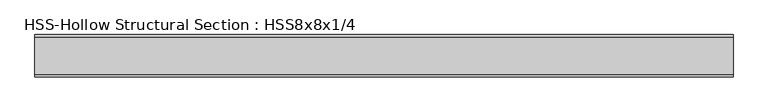
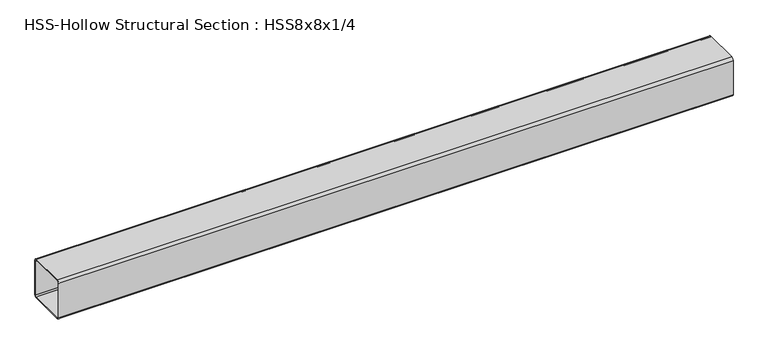
"""IFC4 building model written with IfcOpenShell, lengths in millimetres: member geometry, HSS-Hollow Structural Section : HSS8x8x1/4."""

from ifc_helpers import new_model, si_unit, point, frame, frame_2d, origin, place, context, project, spatial, polyline, circle_curve, trimmed, segment, composite_curve, outline, extrude, source, transform, mapped, element, save


def hss_hollow_structural_section_hss8x8x1_4_a2b94db1(model_context):
    return source(origin(), model_context, "Body", "SweptSolid", [
        extrude(outline(composite_curve([segment(polyline([(101.6, 89.7636), (101.6, -89.7636)]), True, "CONTINUOUS"), segment(trimmed(circle_curve(frame_2d((89.7636, -89.7636)), 11.8364), [point((101.6, -89.7636))], [point((89.7636, -101.6))], False, "CARTESIAN"), True, "CONTINUOUS"), segment(polyline([(89.7636, -101.6), (-89.7636, -101.6)]), True, "CONTINUOUS"), segment(trimmed(circle_curve(frame_2d((-89.7636, -89.7636)), 11.8364), [point((-89.7636, -101.6))], [point((-101.6, -89.7636))], False, "CARTESIAN"), True, "CONTINUOUS"), segment(polyline([(-101.6, -89.7636), (-101.6, 89.7636)]), True, "CONTINUOUS"), segment(trimmed(circle_curve(frame_2d((-89.7636, 89.7636)), 11.8364), [point((-101.6, 89.7636))], [point((-89.7636, 101.6))], False, "CARTESIAN"), True, "CONTINUOUS"), segment(polyline([(-89.7636, 101.6), (89.7636, 101.6)]), True, "CONTINUOUS"), segment(trimmed(circle_curve(frame_2d((89.7636, 89.7636)), 11.8364), [point((89.7636, 101.6))], [point((101.6, 89.7636))], False, "CARTESIAN"), True, "CONTINUOUS")], self_intersect=False), holes=[composite_curve([segment(trimmed(circle_curve(frame_2d((-89.7636, 89.7636)), 5.9182), [point((-89.7636, 95.6818))], [point((-95.6818, 89.7636))], True, "CARTESIAN"), True, "CONTINUOUS"), segment(polyline([(-95.6818, 89.7636), (-95.6818, -89.7636)]), True, "CONTINUOUS"), segment(trimmed(circle_curve(frame_2d((-89.7636, -89.7636)), 5.9182), [point((-95.6818, -89.7636))], [point((-89.7636, -95.6818))], True, "CARTESIAN"), True, "CONTINUOUS"), segment(polyline([(-89.7636, -95.6818), (89.7636, -95.6818)]), True, "CONTINUOUS"), segment(trimmed(circle_curve(frame_2d((89.7636, -89.7636)), 5.9182), [point((89.7636, -95.6818))], [point((95.6818, -89.7636))], True, "CARTESIAN"), True, "CONTINUOUS"), segment(polyline([(95.6818, -89.7636), (95.6818, 89.7636)]), True, "CONTINUOUS"), segment(trimmed(circle_curve(frame_2d((89.7636, 89.7636)), 5.9182), [point((95.6818, 89.7636))], [point((89.7636, 95.6818))], True, "CARTESIAN"), True, "CONTINUOUS"), segment(polyline([(89.7636, 95.6818), (-89.7636, 95.6818)]), True, "CONTINUOUS")], self_intersect=False)]), frame((-1602.1865132, 0.0, 0.0), z_axis=(1.0, 0.0, 0.0), x_axis=(0.0, 1.0, 0.0)), (0.0, 0.0, 1.0), 3356.1358249),
    ])


if __name__ == "__main__":
    model = new_model("IFC4")
    model_context = context("Model", 3, world=origin())
    ifc_project = project(units=[si_unit("LENGTHUNIT", "METRE", prefix="MILLI")], contexts=[model_context])
    site = spatial("IfcSite", under=ifc_project)
    building = spatial("IfcBuilding", under=site)
    placement = place(None, origin())
    hss_hollow_structural_section_hss8x8x1_4_shape = hss_hollow_structural_section_hss8x8x1_4_a2b94db1(model_context)
    element("IfcMember", 1, ObjectType="HSS-Hollow Structural Section : HSS8x8x1/4", at=placement, inside=building, context=model_context, shape_type="MappedRepresentation", body=[
        mapped(hss_hollow_structural_section_hss8x8x1_4_shape, transform((0.0, 0.0, 0.0), x_axis=(1.0, 0.0, 0.0), y_axis=(0.0, 1.0, 0.0), z_axis=(0.0, 0.0, 1.0))),
    ])
    save(model, "model.ifc")
